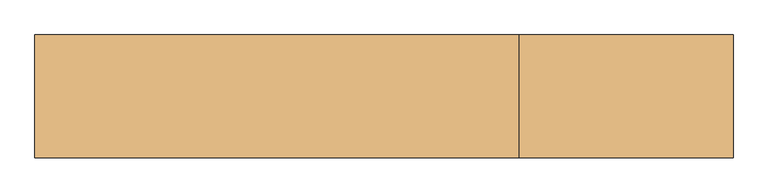
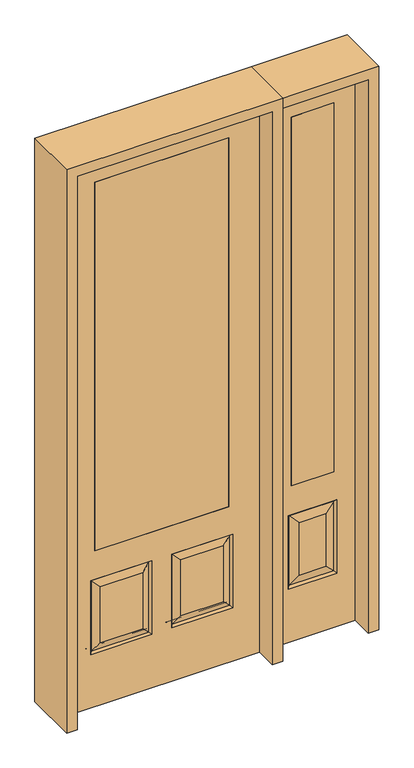
"""IFC4 building model written with IfcOpenShell, lengths in millimetres: door geometry."""

from ifc_helpers import new_model, si_unit, frame, origin, place, context, project, spatial, polyline, outline, extrude, faceted_brep, source, transform, mapped, element, save


def door_9293ddae(model_context):
    return source(origin(), model_context, "Body", "SolidModel", [
        extrude(outline(polyline([(539.75, -20.6375), (539.75, 20.6375), (717.55, 20.6375), (717.55, -20.6375), (539.75, -20.6375)])), frame((0.0, 0.0, 685.8), z_axis=(0.0, 0.0, 1.0), x_axis=(1.0, 0.0, 0.0)), (0.0, 0.0, 1.0), 1625.6),
        faceted_brep([(806.45, -20.6375, 0.0), (806.45, -20.6375, 2438.4), (450.85, -20.6375, 2438.4), (450.85, -20.6375, 0.0), (527.05, -20.6375, 234.95), (527.05, -20.6375, 558.8), (730.25, -20.6375, 558.8), (730.25, -20.6375, 234.95), (539.75, -20.6375, 685.8), (539.75, -20.6375, 2311.4), (717.55, -20.6375, 2311.4), (717.55, -20.6375, 685.8), (684.2125, -20.6375, 280.9875), (684.2125, -20.6375, 512.7625), (573.0875, -20.6375, 512.7625), (573.0875, -20.6375, 280.9875), (450.85, 20.6375, 0.0), (806.45, 20.6375, 0.0), (450.85, 20.6375, 2438.4), (806.45, 20.6375, 2438.4), (536.0302561, -11.6572439, 243.9302561), (721.2697439, -11.6572439, 243.9302561), (721.2697439, -11.6572439, 549.8197439), (536.0302561, -11.6572439, 549.8197439), (730.25, 20.6375, 234.95), (730.25, 20.6375, 558.8), (527.05, 20.6375, 558.8), (527.05, 20.6375, 234.95), (717.55, 20.6375, 685.8), (717.55, 20.6375, 2311.4), (539.75, 20.6375, 2311.4), (539.75, 20.6375, 685.8), (573.0875, 20.6375, 280.9875), (573.0875, 20.6375, 512.7625), (684.2125, 20.6375, 512.7625), (684.2125, 20.6375, 280.9875), (536.0302561, 11.6572439, 243.9302561), (721.2697439, 11.6572439, 243.9302561), (536.0302561, 11.6572439, 549.8197439), (721.2697439, 11.6572439, 549.8197439)], [[[0, 1, 2, 3], [4, 5, 6, 7], [8, 9, 10, 11]], [[12, 13, 14, 15]], [[3, 16, 17, 0]], [[2, 18, 16, 3]], [[0, 17, 19, 1]], [[20, 4, 7, 21]], [[7, 6, 22, 21]], [[6, 5, 23, 22]], [[20, 23, 5, 4]], [[21, 12, 15, 20]], [[15, 14, 23, 20]], [[22, 23, 14, 13]], [[21, 22, 13, 12]], [[17, 16, 18, 19], [24, 25, 26, 27], [28, 29, 30, 31]], [[32, 33, 34, 35]], [[24, 27, 36, 37]], [[27, 26, 38, 36]], [[39, 38, 26, 25]], [[37, 39, 25, 24]], [[36, 32, 35, 37]], [[35, 34, 39, 37]], [[34, 33, 38, 39]], [[36, 38, 33, 32]], [[1, 19, 18, 2]], [[8, 11, 28, 31]], [[11, 10, 29, 28]], [[31, 30, 9, 8]], [[30, 29, 10, 9]]]),
        faceted_brep([(279.4, 20.6375, 685.8), (279.4, -20.6375, 685.8), (279.4, -20.6375, 2311.4), (279.4, 20.6375, 2311.4), (-279.4, 20.6375, 685.8), (-279.4, -20.6375, 685.8), (-80.1727627, 20.6375, 273.8477627), (-256.3772373, 20.6375, 273.8477627), (-256.3772373, 20.6375, 520.4102373), (-80.1727627, 20.6375, 520.4102373), (256.3772373, 20.6375, 273.8477627), (80.1727627, 20.6375, 273.8477627), (80.1727627, 20.6375, 520.4102373), (256.3772373, 20.6375, 520.4102373), (-406.4, 20.6375, 2438.4), (406.4, 20.6375, 2438.4), (406.4, 20.6375, 0.0), (-406.4, 20.6375, 0.0), (-279.4, 20.6375, 2311.4), (-295.275, 20.6375, 234.95), (-41.275, 20.6375, 234.95), (-41.275, 20.6375, 559.308), (-295.275, 20.6375, 559.308), (41.275, 20.6375, 234.95), (295.275, 20.6375, 234.95), (295.275, 20.6375, 559.308), (41.275, 20.6375, 559.308), (-279.4, -20.6375, 2311.4), (80.1727627, -20.6375, 273.8477627), (256.3772373, -20.6375, 273.8477627), (256.3772373, -20.6375, 520.4102373), (80.1727627, -20.6375, 520.4102373), (-256.3772373, -20.6375, 273.8477627), (-80.1727627, -20.6375, 273.8477627), (-80.1727627, -20.6375, 520.4102373), (-256.3772373, -20.6375, 520.4102373), (406.4, -20.6375, 2438.4), (-406.4, -20.6375, 2438.4), (-406.4, -20.6375, 0.0), (406.4, -20.6375, 0.0), (295.275, -20.6375, 234.95), (41.275, -20.6375, 234.95), (41.275, -20.6375, 559.308), (295.275, -20.6375, 559.308), (-41.275, -20.6375, 234.95), (-295.275, -20.6375, 234.95), (-295.275, -20.6375, 559.308), (-41.275, -20.6375, 559.308), (-287.8714647, 11.4399763, 242.3535353), (-48.6785353, 11.4399763, 242.3535353), (-48.6785353, 11.4399763, 551.9044647), (-287.8714647, 11.4399763, 551.9044647), (48.6785353, 11.4399763, 242.3535353), (287.8714647, 11.4399763, 242.3535353), (287.8714647, 11.4399763, 551.9044647), (48.6785353, 11.4399763, 551.9044647), (287.8714647, -11.4399763, 242.3535353), (48.6785353, -11.4399763, 242.3535353), (48.6785353, -11.4399763, 551.9044647), (287.8714647, -11.4399763, 551.9044647), (-48.6785353, -11.4399763, 242.3535353), (-287.8714647, -11.4399763, 242.3535353), (-287.8714647, -11.4399763, 551.9044647), (-48.6785353, -11.4399763, 551.9044647)], [[[0, 1, 2, 3]], [[1, 0, 4, 5]], [[6, 7, 8, 9]], [[10, 11, 12, 13]], [[14, 15, 16, 17], [4, 0, 3, 18], [19, 20, 21, 22], [23, 24, 25, 26]], [[5, 4, 18, 27]], [[28, 29, 30, 31]], [[32, 33, 34, 35]], [[36, 37, 38, 39], [1, 5, 27, 2], [40, 41, 42, 43], [44, 45, 46, 47]], [[39, 38, 17, 16]], [[37, 14, 17, 38]], [[15, 36, 39, 16]], [[19, 48, 49, 20]], [[20, 49, 50, 21]], [[51, 22, 21, 50]], [[48, 19, 22, 51]], [[49, 48, 7, 6]], [[7, 48, 51, 8]], [[8, 51, 50, 9]], [[49, 6, 9, 50]], [[52, 53, 24, 23]], [[24, 53, 54, 25]], [[25, 54, 55, 26]], [[52, 23, 26, 55]], [[53, 52, 11, 10]], [[11, 52, 55, 12]], [[54, 13, 12, 55]], [[53, 10, 13, 54]], [[40, 56, 57, 41]], [[41, 57, 58, 42]], [[59, 43, 42, 58]], [[56, 40, 43, 59]], [[57, 56, 29, 28]], [[29, 56, 59, 30]], [[30, 59, 58, 31]], [[57, 28, 31, 58]], [[60, 61, 45, 44]], [[45, 61, 62, 46]], [[46, 62, 63, 47]], [[60, 44, 47, 63]], [[61, 60, 33, 32]], [[33, 60, 63, 34]], [[62, 35, 34, 63]], [[61, 32, 35, 62]], [[3, 2, 27, 18]], [[36, 15, 14, 37]]]),
        extrude(outline(polyline([(279.4, -20.6375), (-279.4, -20.6375), (-279.4, 20.6375), (279.4, 20.6375), (279.4, -20.6375)])), frame((0.0, 0.0, 685.8), z_axis=(0.0, 0.0, 1.0), x_axis=(1.0, 0.0, 0.0)), (0.0, 0.0, 1.0), 1625.6),
        extrude(outline(polyline([(2482.85, -450.85), (0.0, -450.85), (0.0, -406.4), (2438.4, -406.4), (2438.4, 406.4), (0.0, 406.4), (0.0, 450.85), (2482.85, 450.85), (2482.85, -450.85)])), frame((0.0, -114.3, 0.0), z_axis=(0.0, 1.0, 0.0), x_axis=(0.0, 0.0, 1.0)), (0.0, 0.0, 1.0), 228.6),
        extrude(outline(polyline([(0.0, 806.45), (0.0, 850.9), (2482.85, 850.9), (2482.85, 450.85), (2438.4, 450.85), (2438.4, 806.45), (0.0, 806.45)])), frame((0.0, -114.3, 0.0), z_axis=(0.0, 1.0, 0.0), x_axis=(0.0, 0.0, 1.0)), (0.0, 0.0, 1.0), 228.6),
    ])


if __name__ == "__main__":
    model = new_model("IFC4")
    model_context = context("Model", 3, world=origin())
    ifc_project = project(units=[si_unit("LENGTHUNIT", "METRE", prefix="MILLI")], contexts=[model_context])
    site = spatial("IfcSite", under=ifc_project)
    building = spatial("IfcBuilding", under=site)
    placement = place(None, origin())
    door_shape = door_9293ddae(model_context)
    element("IfcDoor", 1, at=placement, inside=building, context=model_context, shape_type="MappedRepresentation", body=[
        mapped(door_shape, transform((0.0, 0.0, 0.0), x_axis=(1.0, 0.0, 0.0), y_axis=(0.0, 1.0, 0.0), z_axis=(0.0, 0.0, 1.0))),
    ])
    save(model, "model.ifc")
